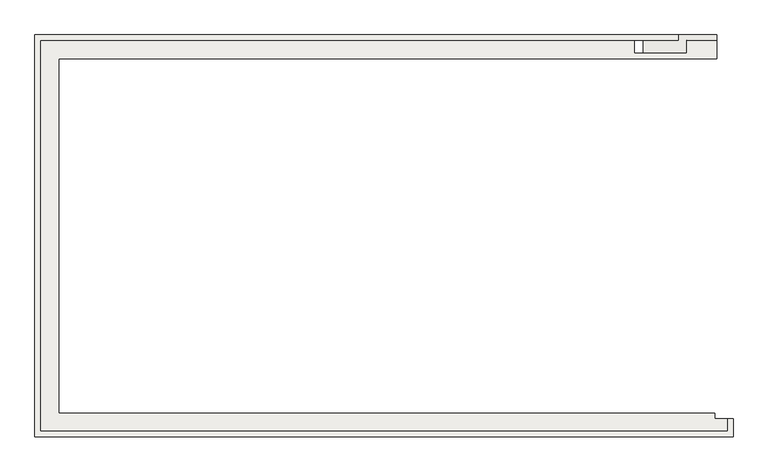
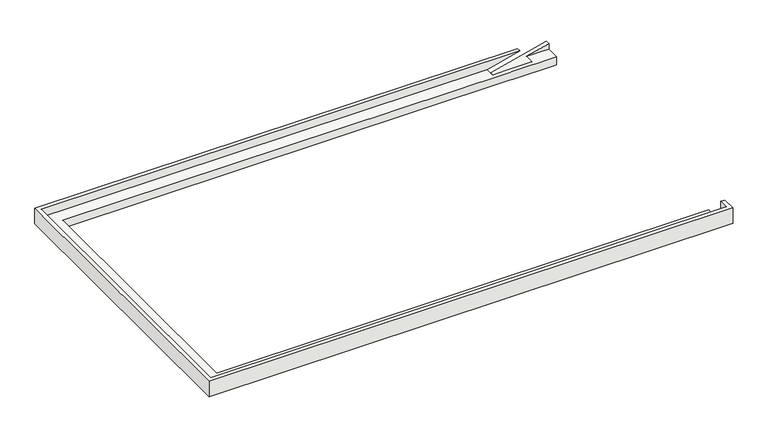
"""IFC4 building model written with IfcOpenShell, lengths in millimetres: slab geometry."""

import ifcopenshell
import ifcopenshell.guid

model = None  # the IFC model being written
_history = None  # IfcOwnerHistory: only IFC2X3 demands one
_inside = {}  # id of a spatial element -> (the spatial element, [elements in it])
_under = {}  # id of a project, library or spatial element -> (it, [spatial elements below it])
_declared = {}  # id of a project -> (the project, [libraries it declares])
_typed = {}  # id of a type object -> (the type object, [elements of that type])
_made_of = {}  # id of a material, layer set ... -> (it, [elements and type objects made of it])


def new_model(schema):
    """Start an empty IFC model of exactly this schema.

    Asked for "IFC4X3", IfcOpenShell would pick the latest addendum, in which some entities
    have other attributes; the version numbers below select the first issue.
    IFC2X3 requires an IfcOwnerHistory on every rooted entity: one is made here for all.
    """
    global model, _history
    if schema == "IFC4X3":
        model = ifcopenshell.file(schema_version=(4, 3, 0, 0))
    else:
        model = ifcopenshell.file(schema=schema)
    _inside.clear()
    _under.clear()
    _declared.clear()
    _typed.clear()
    _made_of.clear()
    _history = None
    if model.schema == "IFC2X3":
        org = make("IfcOrganization", Name="unknown")
        user = make(
            "IfcPersonAndOrganization",
            ThePerson=make("IfcPerson", FamilyName="unknown"),
            TheOrganization=org,
        )
        app = make(
            "IfcApplication",
            ApplicationDeveloper=org,
            Version="unknown",
            ApplicationFullName="unknown",
            ApplicationIdentifier="unknown",
        )
        _history = make(
            "IfcOwnerHistory",
            OwningUser=user,
            OwningApplication=app,
            ChangeAction="ADDED",
            CreationDate=0,
        )
    return model


def make(cls, **values):
    """One entity of the class cls with the attributes given. An attribute that is None is left unset."""
    return model.create_entity(
        cls, **{name: value for name, value in values.items() if value is not None}
    )


def rooted(cls, **values):
    """An entity with a GlobalId (a new one), such as an element, a storey or a relation."""
    return make(cls, GlobalId=ifcopenshell.guid.new(), OwnerHistory=_history, **values)


def si_unit(unit_type, name, prefix=None):
    """IfcSIUnit, for example si_unit("LENGTHUNIT", "METRE", prefix="MILLI")."""
    return make("IfcSIUnit", UnitType=unit_type, Prefix=prefix, Name=name)


def assignment(units):
    """IfcUnitAssignment: the units of a project."""
    return None if units is None else make("IfcUnitAssignment", Units=units)


def point(xyz):
    """IfcCartesianPoint."""
    return None if xyz is None else make("IfcCartesianPoint", Coordinates=xyz)


def direction(xyz):
    """IfcDirection."""
    return None if xyz is None else make("IfcDirection", DirectionRatios=xyz)


def frame(location, z_axis=None, x_axis=None):
    """IfcAxis2Placement3D, a coordinate frame: its origin and axes. An axis left out is left unset."""
    return make(
        "IfcAxis2Placement3D",
        Location=point(location),
        Axis=direction(z_axis),
        RefDirection=direction(x_axis),
    )


def origin():
    """The frame at (0, 0, 0) with its axes left unset."""
    return frame((0.0, 0.0, 0.0))


def place(relative_to, where):
    """IfcLocalPlacement: puts the frame where relative to a parent placement (None: the world)."""
    return make(
        "IfcLocalPlacement", PlacementRelTo=relative_to, RelativePlacement=where
    )


def context(
    kind, dimensions, precision=None, world=None, true_north=None, identifier=None
):
    """IfcGeometricRepresentationContext, for example the 3D "Model" context."""
    return make(
        "IfcGeometricRepresentationContext",
        ContextIdentifier=identifier,
        ContextType=kind,
        CoordinateSpaceDimension=dimensions,
        Precision=precision,
        WorldCoordinateSystem=world,
        TrueNorth=true_north,
    )


def project(units=None, contexts=None):
    """IfcProject with its units and contexts."""
    return rooted(
        "IfcProject",
        Name="project",
        RepresentationContexts=contexts,
        UnitsInContext=assignment(units),
    )


def spatial(cls, under=None, at=None, **own):
    """A site, building, storey or space (cls), placed at a placement, below another one or the project."""
    s = rooted(cls, ObjectPlacement=at, **own)
    if under is not None:
        _under.setdefault(under.id(), (under, []))[1].append(s)
    return s


def faces_of(points, faces, orient=None, outer=None):
    """IfcFace entities. A face is a list of loops; a loop is a list of indices into points, from 0.

    orient and outer hold one flag for each loop. By default every Orientation is true, the
    first loop of a face is its IfcFaceOuterBound and the others are IfcFaceBound.
    """
    made = []
    for i, loops in enumerate(faces):
        bounds = []
        for j, loop in enumerate(loops):
            is_outer = j == 0 if outer is None else outer[i][j]
            bounds.append(
                make(
                    "IfcFaceOuterBound" if is_outer else "IfcFaceBound",
                    Bound=make("IfcPolyLoop", Polygon=[points[k] for k in loop]),
                    Orientation=True if orient is None else orient[i][j],
                )
            )
        made.append(make("IfcFace", Bounds=bounds))
    return made


def faceted_brep(points, faces, orient=None, outer=None, voids=None):
    """IfcFacetedBrep: a solid bounded by flat faces; with voids (closed shells), ...WithVoids."""
    shared = [point(p) for p in points]
    hull = make("IfcClosedShell", CfsFaces=faces_of(shared, faces, orient, outer))
    if voids is None:
        return make("IfcFacetedBrep", Outer=hull)
    return make(
        "IfcFacetedBrepWithVoids",
        Outer=hull,
        Voids=[
            make(cls, CfsFaces=faces_of(shared, fs, o, b)) for cls, fs, o, b in voids
        ],
    )


def shape(context_of_items, identifier, shape_type, items):
    """IfcShapeRepresentation: the items that make up one representation, for example the "Body"."""
    return make(
        "IfcShapeRepresentation",
        ContextOfItems=context_of_items,
        RepresentationIdentifier=identifier,
        RepresentationType=shape_type,
        Items=items,
    )


def source(mapping_origin, context_of_items, identifier, shape_type, items):
    """IfcRepresentationMap: a shape defined once, which mapped items show again and again."""
    return make(
        "IfcRepresentationMap",
        MappingOrigin=mapping_origin,
        MappedRepresentation=shape(context_of_items, identifier, shape_type, items),
    )


def transform(
    local_origin,
    x_axis=None,
    y_axis=None,
    z_axis=None,
    scale=None,
    scale2=None,
    scale3=None,
    uniform=True,
):
    """IfcCartesianTransformationOperator3D, or its non-uniform kind. x_axis, y_axis, z_axis: its Axis1, 2, 3."""
    if uniform:
        return make(
            "IfcCartesianTransformationOperator3D",
            Axis1=direction(x_axis),
            Axis2=direction(y_axis),
            LocalOrigin=point(local_origin),
            Scale=scale,
            Axis3=direction(z_axis),
        )
    return make(
        "IfcCartesianTransformationOperator3DnonUniform",
        Axis1=direction(x_axis),
        Axis2=direction(y_axis),
        LocalOrigin=point(local_origin),
        Scale=scale,
        Axis3=direction(z_axis),
        Scale2=scale2,
        Scale3=scale3,
    )


def mapped(mapping_source, mapping_target):
    """IfcMappedItem: shows the shape of a source again, moved by a transform."""
    return make(
        "IfcMappedItem", MappingSource=mapping_source, MappingTarget=mapping_target
    )


def made_of(thing, what):
    """Note that an element or type object is made of a material, layer set ...; save() writes the relation."""
    if what is not None:
        _made_of.setdefault(what.id(), (what, []))[1].append(thing)
    return thing


def element(
    cls,
    number,
    at=None,
    inside=None,
    cuts=None,
    type_object=None,
    material=None,
    context=None,
    identifier="Body",
    shape_type=None,
    held_by="IfcProductDefinitionShape",
    body=None,
    shapes=None,
    **own,
):
    """One element of the class cls, such as IfcWall. Its Tag is "e" and its number.

    at: its placement. inside: the storey or other place that contains it. cuts: it is an
    opening in that element (IfcRelVoidsElement). A single representation is given by context,
    identifier, shape_type and body (its items); several are given by shapes. held_by: the class
    of the entity that holds the representations. save() writes the other relations.
    """
    e = rooted(cls, Tag="e%d" % number, ObjectPlacement=at, **own)
    if body is not None:
        shapes = [shape(context, identifier, shape_type, body)]
    if shapes is not None:
        e.Representation = make(held_by, Representations=shapes)
    if inside is not None:
        _inside.setdefault(inside.id(), (inside, []))[1].append(e)
    if cuts is not None:
        rooted(
            "IfcRelVoidsElement", RelatingBuildingElement=cuts, RelatedOpeningElement=e
        )
    if type_object is not None:
        _typed.setdefault(type_object.id(), (type_object, []))[1].append(e)
    return made_of(e, material)


def aggregate(whole, parts):
    """IfcRelAggregates: a whole, such as a stair, and the parts it consists of."""
    return rooted("IfcRelAggregates", RelatingObject=whole, RelatedObjects=parts)


def save(model, path):
    """Write the relations noted so far, then the file.

    IfcRelAggregates (storeys below a building ...), IfcRelContainedInSpatialStructure (elements
    in a storey), IfcRelDefinesByType, IfcRelAssociatesMaterial and IfcRelDeclares: one each for
    every whole, place, type object, material and project.
    """
    for whole, parts in _under.values():
        aggregate(whole, parts)
    for where, things in _inside.values():
        rooted(
            "IfcRelContainedInSpatialStructure",
            RelatedElements=things,
            RelatingStructure=where,
        )
    for kind, things in _typed.values():
        rooted("IfcRelDefinesByType", RelatedObjects=things, RelatingType=kind)
    for what, things in _made_of.values():
        rooted("IfcRelAssociatesMaterial", RelatedObjects=things, RelatingMaterial=what)
    for by, libraries in _declared.values():
        rooted("IfcRelDeclares", RelatingContext=by, RelatedDefinitions=libraries)
    model.write(path)


def slab_894dd086(model_context):
    return source(origin(), model_context, "Body", "Brep", [
        faceted_brep([(18779.3852488, -508.8235294, 4700.0), (18779.3852488, -508.8235294, 4100.0), (18779.3852488, -8.8235294, 4100.0), (18779.3852488, -8.8235294, 4700.0), (229.3852488, 141.1764706, 4100.0), (229.3852488, 141.1764706, 4400.0), (18279.3852488, 141.1764706, 4400.0), (18279.3852488, 141.1764706, 4100.0), (-420.6147512, -508.8235294, 4700.0), (-420.6147512, -508.8235294, 4100.0), (18629.3852488, -508.8235294, 4100.0), (-270.6147512, -358.8235294, 4400.0), (-270.6147512, -358.8235294, 4700.0), (18629.3852488, -358.8235294, 4700.0), (18629.3852488, -358.8235294, 4400.0), (18329.3852488, 9891.1764706, 4100.0), (18329.3852488, 10541.1764706, 4100.0), (18329.3852488, 10541.1764706, 4604.1612425), (18329.3852488, 10391.1764706, 4604.1612425), (18329.3852488, 10391.1764706, 4400.0), (18329.3852488, 9891.1764706, 4400.0), (229.3852488, 9891.1764706, 4100.0), (229.3852488, 9891.1764706, 4400.0), (-420.6147512, 10541.1764706, 4700.0), (-420.6147512, 10541.1764706, 4100.0), (-270.6147512, 10391.1764706, 4400.0), (-270.6147512, 10391.1764706, 4700.0), (14860.5570268, 10541.1764706, 4100.0), (14860.5570268, 10041.1764706, 4100.0), (16307.3049499, 10041.1764706, 4100.0), (16307.3049499, 10541.1764706, 4100.0), (18279.3852488, 9891.1764706, 4100.0), (16729.3852488, 9891.1764706, 4100.0), (16579.3852488, 9891.1764706, 4100.0), (18279.3852488, -8.8235294, 4100.0), (17267.025587, 10391.1764706, 4700.0), (17267.025587, 10541.1764706, 4700.0), (18629.3852488, -8.8235294, 4700.0), (16579.3852488, 9891.1764706, 4400.0), (16729.3852488, 9891.1764706, 4400.0), (18279.3852488, 9891.1764706, 4400.0), (17510.5392299, 10391.1764706, 4400.0), (17510.5392299, 10041.1764706, 4400.0), (16579.3852488, 10041.1764706, 4400.0), (16063.7913069, 10041.1764706, 4400.0), (16063.7913069, 10391.1764706, 4400.0), (18629.3852488, -8.8235294, 4400.0), (18279.3852488, -8.8235294, 4400.0), (18279.3852488, 41.1764706, 4400.0)], [[[0, 1, 2, 3]], [[4, 5, 6, 7]], [[1, 0, 8, 9, 10]], [[11, 12, 13, 14]], [[15, 16, 17, 18, 19, 20]], [[5, 4, 21, 22]], [[9, 8, 23, 24]], [[12, 11, 25, 26]], [[9, 24, 27, 28, 29, 30, 16, 15, 31, 32, 33, 21, 4, 7, 34, 2, 1, 10]], [[12, 26, 35, 36, 23, 8, 0, 3, 37, 13]], [[5, 22, 38, 39, 40, 20, 19, 41, 42, 43, 44, 45, 25, 11, 14, 46, 47, 48, 6]], [[26, 25, 45, 35]], [[24, 23, 36, 27]], [[15, 20, 40, 39, 38, 22, 21, 33, 32, 31]], [[13, 37, 46, 14]], [[2, 34, 47, 46, 37, 3]], [[18, 17, 30, 29, 42, 41]], [[44, 28, 27, 36, 35, 45]], [[28, 44, 43, 42, 29]], [[17, 16, 30]], [[47, 34, 7, 6, 48]], [[41, 19, 18]]]),
    ])


if __name__ == "__main__":
    model = new_model("IFC4")
    model_context = context("Model", 3, world=origin())
    ifc_project = project(units=[si_unit("LENGTHUNIT", "METRE", prefix="MILLI")], contexts=[model_context])
    site = spatial("IfcSite", under=ifc_project)
    building = spatial("IfcBuilding", under=site)
    placement = place(None, origin())
    slab_shape = slab_894dd086(model_context)
    element("IfcSlab", 1, at=placement, inside=building, context=model_context, shape_type="MappedRepresentation", body=[
        mapped(slab_shape, transform((0.0, 0.0, 0.0), x_axis=(1.0, 0.0, 0.0), y_axis=(0.0, 1.0, 0.0), z_axis=(0.0, 0.0, 1.0))),
    ])
    save(model, "model.ifc")
